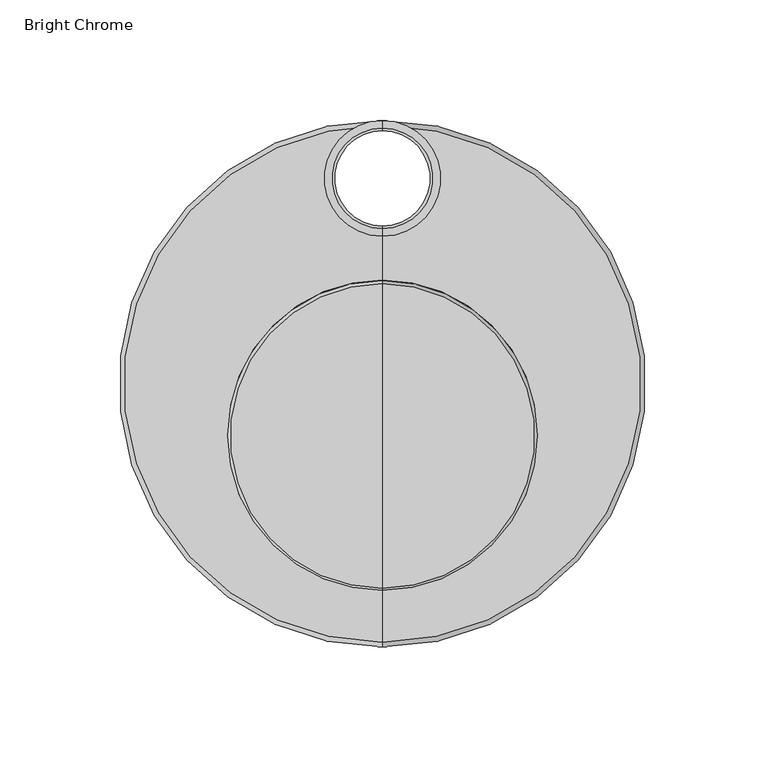
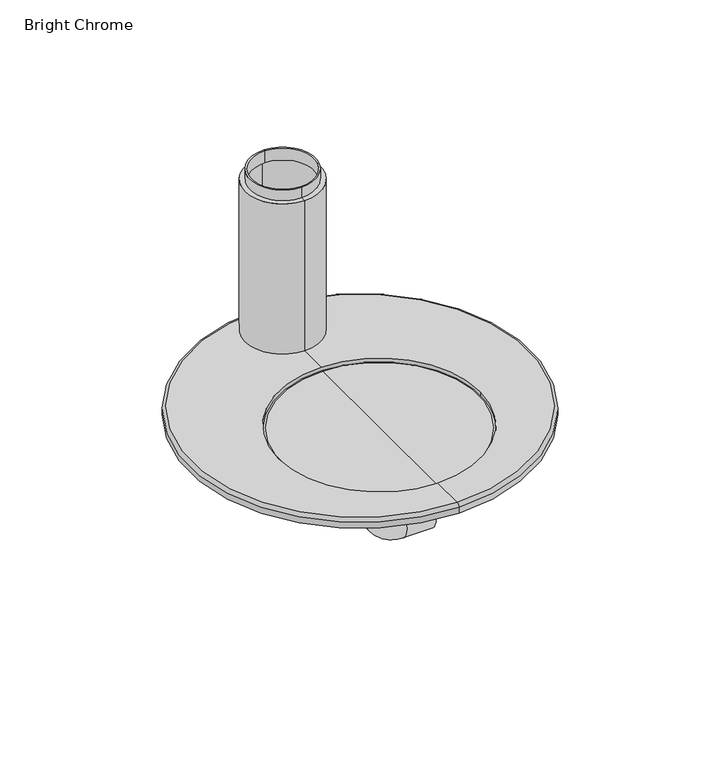
"""IFC4 building model written with IfcOpenShell, lengths in millimetres: flow terminal geometry, Bright Chrome."""

import ifcopenshell
import ifcopenshell.guid

model = None  # the IFC model being written
_history = None  # IfcOwnerHistory: only IFC2X3 demands one
_inside = {}  # id of a spatial element -> (the spatial element, [elements in it])
_under = {}  # id of a project, library or spatial element -> (it, [spatial elements below it])
_declared = {}  # id of a project -> (the project, [libraries it declares])
_typed = {}  # id of a type object -> (the type object, [elements of that type])
_made_of = {}  # id of a material, layer set ... -> (it, [elements and type objects made of it])


def new_model(schema):
    """Start an empty IFC model of exactly this schema.

    Asked for "IFC4X3", IfcOpenShell would pick the latest addendum, in which some entities
    have other attributes; the version numbers below select the first issue.
    IFC2X3 requires an IfcOwnerHistory on every rooted entity: one is made here for all.
    """
    global model, _history
    if schema == "IFC4X3":
        model = ifcopenshell.file(schema_version=(4, 3, 0, 0))
    else:
        model = ifcopenshell.file(schema=schema)
    _inside.clear()
    _under.clear()
    _declared.clear()
    _typed.clear()
    _made_of.clear()
    _history = None
    if model.schema == "IFC2X3":
        org = make("IfcOrganization", Name="unknown")
        user = make(
            "IfcPersonAndOrganization",
            ThePerson=make("IfcPerson", FamilyName="unknown"),
            TheOrganization=org,
        )
        app = make(
            "IfcApplication",
            ApplicationDeveloper=org,
            Version="unknown",
            ApplicationFullName="unknown",
            ApplicationIdentifier="unknown",
        )
        _history = make(
            "IfcOwnerHistory",
            OwningUser=user,
            OwningApplication=app,
            ChangeAction="ADDED",
            CreationDate=0,
        )
    return model


def make(cls, **values):
    """One entity of the class cls with the attributes given. An attribute that is None is left unset."""
    return model.create_entity(
        cls, **{name: value for name, value in values.items() if value is not None}
    )


def rooted(cls, **values):
    """An entity with a GlobalId (a new one), such as an element, a storey or a relation."""
    return make(cls, GlobalId=ifcopenshell.guid.new(), OwnerHistory=_history, **values)


def si_unit(unit_type, name, prefix=None):
    """IfcSIUnit, for example si_unit("LENGTHUNIT", "METRE", prefix="MILLI")."""
    return make("IfcSIUnit", UnitType=unit_type, Prefix=prefix, Name=name)


def assignment(units):
    """IfcUnitAssignment: the units of a project."""
    return None if units is None else make("IfcUnitAssignment", Units=units)


def point(xyz):
    """IfcCartesianPoint."""
    return None if xyz is None else make("IfcCartesianPoint", Coordinates=xyz)


def direction(xyz):
    """IfcDirection."""
    return None if xyz is None else make("IfcDirection", DirectionRatios=xyz)


def frame(location, z_axis=None, x_axis=None):
    """IfcAxis2Placement3D, a coordinate frame: its origin and axes. An axis left out is left unset."""
    return make(
        "IfcAxis2Placement3D",
        Location=point(location),
        Axis=direction(z_axis),
        RefDirection=direction(x_axis),
    )


def origin():
    """The frame at (0, 0, 0) with its axes left unset."""
    return frame((0.0, 0.0, 0.0))


def place(relative_to, where):
    """IfcLocalPlacement: puts the frame where relative to a parent placement (None: the world)."""
    return make(
        "IfcLocalPlacement", PlacementRelTo=relative_to, RelativePlacement=where
    )


def context(
    kind, dimensions, precision=None, world=None, true_north=None, identifier=None
):
    """IfcGeometricRepresentationContext, for example the 3D "Model" context."""
    return make(
        "IfcGeometricRepresentationContext",
        ContextIdentifier=identifier,
        ContextType=kind,
        CoordinateSpaceDimension=dimensions,
        Precision=precision,
        WorldCoordinateSystem=world,
        TrueNorth=true_north,
    )


def project(units=None, contexts=None):
    """IfcProject with its units and contexts."""
    return rooted(
        "IfcProject",
        Name="project",
        RepresentationContexts=contexts,
        UnitsInContext=assignment(units),
    )


def spatial(cls, under=None, at=None, **own):
    """A site, building, storey or space (cls), placed at a placement, below another one or the project."""
    s = rooted(cls, ObjectPlacement=at, **own)
    if under is not None:
        _under.setdefault(under.id(), (under, []))[1].append(s)
    return s


def polyline(points):
    """IfcPolyline through the points."""
    return make("IfcPolyline", Points=[point(p) for p in points])


def circle_curve(where, radius):
    """IfcCircle in the frame where."""
    return make("IfcCircle", Position=where, Radius=radius)


def ellipse_curve(where, semi_axis1, semi_axis2):
    """IfcEllipse in the frame where."""
    return make(
        "IfcEllipse", Position=where, SemiAxis1=semi_axis1, SemiAxis2=semi_axis2
    )


def trimmed(basis, trim1, trim2, sense, master):
    """IfcTrimmedCurve: the piece of a basis curve between two trims."""
    return make(
        "IfcTrimmedCurve",
        BasisCurve=basis,
        Trim1=trim1,
        Trim2=trim2,
        SenseAgreement=sense,
        MasterRepresentation=master,
    )


def outline(outer, holes=None, kind="AREA"):
    """IfcArbitraryClosedProfileDef: a profile drawn as a closed curve; with holes, ...WithVoids."""
    if holes is None:
        return make("IfcArbitraryClosedProfileDef", ProfileType=kind, OuterCurve=outer)
    return make(
        "IfcArbitraryProfileDefWithVoids",
        ProfileType=kind,
        OuterCurve=outer,
        InnerCurves=holes,
    )


def extrude(swept, where, along, depth):
    """IfcExtrudedAreaSolid: the profile swept, set in the frame where, extruded along a direction by depth."""
    return make(
        "IfcExtrudedAreaSolid",
        SweptArea=swept,
        Position=where,
        ExtrudedDirection=direction(along),
        Depth=depth,
    )


def shape(context_of_items, identifier, shape_type, items):
    """IfcShapeRepresentation: the items that make up one representation, for example the "Body"."""
    return make(
        "IfcShapeRepresentation",
        ContextOfItems=context_of_items,
        RepresentationIdentifier=identifier,
        RepresentationType=shape_type,
        Items=items,
    )


def source(mapping_origin, context_of_items, identifier, shape_type, items):
    """IfcRepresentationMap: a shape defined once, which mapped items show again and again."""
    return make(
        "IfcRepresentationMap",
        MappingOrigin=mapping_origin,
        MappedRepresentation=shape(context_of_items, identifier, shape_type, items),
    )


def transform(
    local_origin,
    x_axis=None,
    y_axis=None,
    z_axis=None,
    scale=None,
    scale2=None,
    scale3=None,
    uniform=True,
):
    """IfcCartesianTransformationOperator3D, or its non-uniform kind. x_axis, y_axis, z_axis: its Axis1, 2, 3."""
    if uniform:
        return make(
            "IfcCartesianTransformationOperator3D",
            Axis1=direction(x_axis),
            Axis2=direction(y_axis),
            LocalOrigin=point(local_origin),
            Scale=scale,
            Axis3=direction(z_axis),
        )
    return make(
        "IfcCartesianTransformationOperator3DnonUniform",
        Axis1=direction(x_axis),
        Axis2=direction(y_axis),
        LocalOrigin=point(local_origin),
        Scale=scale,
        Axis3=direction(z_axis),
        Scale2=scale2,
        Scale3=scale3,
    )


def mapped(mapping_source, mapping_target):
    """IfcMappedItem: shows the shape of a source again, moved by a transform."""
    return make(
        "IfcMappedItem", MappingSource=mapping_source, MappingTarget=mapping_target
    )


def made_of(thing, what):
    """Note that an element or type object is made of a material, layer set ...; save() writes the relation."""
    if what is not None:
        _made_of.setdefault(what.id(), (what, []))[1].append(thing)
    return thing


def element(
    cls,
    number,
    at=None,
    inside=None,
    cuts=None,
    type_object=None,
    material=None,
    context=None,
    identifier="Body",
    shape_type=None,
    held_by="IfcProductDefinitionShape",
    body=None,
    shapes=None,
    **own,
):
    """One element of the class cls, such as IfcWall. Its Tag is "e" and its number.

    at: its placement. inside: the storey or other place that contains it. cuts: it is an
    opening in that element (IfcRelVoidsElement). A single representation is given by context,
    identifier, shape_type and body (its items); several are given by shapes. held_by: the class
    of the entity that holds the representations. save() writes the other relations.
    """
    e = rooted(cls, Tag="e%d" % number, ObjectPlacement=at, **own)
    if body is not None:
        shapes = [shape(context, identifier, shape_type, body)]
    if shapes is not None:
        e.Representation = make(held_by, Representations=shapes)
    if inside is not None:
        _inside.setdefault(inside.id(), (inside, []))[1].append(e)
    if cuts is not None:
        rooted(
            "IfcRelVoidsElement", RelatingBuildingElement=cuts, RelatedOpeningElement=e
        )
    if type_object is not None:
        _typed.setdefault(type_object.id(), (type_object, []))[1].append(e)
    return made_of(e, material)


def aggregate(whole, parts):
    """IfcRelAggregates: a whole, such as a stair, and the parts it consists of."""
    return rooted("IfcRelAggregates", RelatingObject=whole, RelatedObjects=parts)


def save(model, path):
    """Write the relations noted so far, then the file.

    IfcRelAggregates (storeys below a building ...), IfcRelContainedInSpatialStructure (elements
    in a storey), IfcRelDefinesByType, IfcRelAssociatesMaterial and IfcRelDeclares: one each for
    every whole, place, type object, material and project.
    """
    for whole, parts in _under.values():
        aggregate(whole, parts)
    for where, things in _inside.values():
        rooted(
            "IfcRelContainedInSpatialStructure",
            RelatedElements=things,
            RelatingStructure=where,
        )
    for kind, things in _typed.values():
        rooted("IfcRelDefinesByType", RelatedObjects=things, RelatingType=kind)
    for what, things in _made_of.values():
        rooted("IfcRelAssociatesMaterial", RelatedObjects=things, RelatingMaterial=what)
    for by, libraries in _declared.values():
        rooted("IfcRelDeclares", RelatingContext=by, RelatedDefinitions=libraries)
    model.write(path)


def plane_surface(at):
    """IfcPlane: the flat surface through the origin of the frame at, square to its z axis."""
    return make("IfcPlane", Position=at)


def cylinder_surface(at, radius):
    """IfcCylindricalSurface: all points at the distance radius from the z axis of the frame at."""
    return make("IfcCylindricalSurface", Position=at, Radius=radius)


def revolved_surface(curve, axis_point, axis_direction):
    """IfcSurfaceOfRevolution: the curve turned about the line through axis_point along axis_direction."""
    return make(
        "IfcSurfaceOfRevolution",
        SweptCurve=make("IfcArbitraryOpenProfileDef", ProfileType="CURVE", Curve=curve),
        AxisPosition=make("IfcAxis1Placement", Location=point(axis_point), Axis=direction(axis_direction)),
    )


def advanced_brep(points, edges, surfaces, faces):
    """IfcAdvancedBrep: a solid bounded by faces that lie on surfaces and meet in shared edges.

    An edge is (start, end): straight between two places in points (the first is 0);
    or (start, end, curve); or (start, end, curve, False) where it runs against its curve.
    A face is (place in surfaces, loops), or (place, loops, False) where it looks against
    its surface's normal. A loop lists edges by number (the first is 1), with a minus sign
    where the edge is run from its end to its start. The first loop is the outer one.
    """
    corners = [point(p) for p in points]
    vertices = [make("IfcVertexPoint", VertexGeometry=c) for c in corners]
    made = []
    for start, end, *more in edges:
        made.append(
            make(
                "IfcEdgeCurve",
                EdgeStart=vertices[start],
                EdgeEnd=vertices[end],
                EdgeGeometry=more[0] if more else make("IfcPolyline", Points=[corners[start], corners[end]]),
                SameSense=more[1] if len(more) > 1 else True,
            )
        )
    hull = []
    for where, loops, *sense in faces:
        bounds = []
        for j, loop in enumerate(loops):
            ring = [make("IfcOrientedEdge", EdgeElement=made[abs(k) - 1], Orientation=k > 0) for k in loop]
            bounds.append(
                make(
                    "IfcFaceOuterBound" if j == 0 else "IfcFaceBound",
                    Bound=make("IfcEdgeLoop", EdgeList=ring),
                    Orientation=True,
                )
            )
        hull.append(make("IfcAdvancedFace", Bounds=bounds, FaceSurface=surfaces[where], SameSense=sense[0] if sense else True))
    return make("IfcAdvancedBrep", Outer=make("IfcClosedShell", CfsFaces=hull))


def bright_chrome_13082571(model_context):
    return source(origin(), model_context, "Body", "SolidModel", [
        advanced_brep(
        [(1.0, 124.2704722, 5.9754703), (1.0, 76.2295278, 5.9754703), (1.0, 76.2295278, 107.0), (1.0, 124.2704722, 107.0), (1.0, 79.4077987, 107.0), (1.0, 121.0922013, 107.0), (1.0, 79.4077987, 114.0), (1.0, 121.0922013, 114.0), (1.0, 80.4077987, 114.0), (1.0, 120.0922013, 114.0), (1.0, 80.4077987, 106.0), (1.0, 120.0922013, 106.0), (1.0, 77.2295278, 106.0), (1.0, 123.2704722, 106.0), (1.0, 77.2295278, 5.9754703), (1.0, 123.2704722, 5.9754703)],
        [
            (0, 1, circle_curve(frame((1.0, 100.25, 5.9754703), z_axis=(0.0, 0.0, 1.0), x_axis=(0.0, -1.0, 0.0)), 24.0204722)),
            (1, 2),
            (2, 3, circle_curve(frame((1.0, 100.25, 107.0), z_axis=(0.0, 0.0, -1.0), x_axis=(0.0, -1.0, 0.0)), 24.0204722)),
            (3, 0),
            (1, 0, circle_curve(frame((1.0, 100.25, 5.9754703), z_axis=(0.0, 0.0, 1.0), x_axis=(0.0, -1.0, 0.0)), 24.0204722)),
            (3, 2, circle_curve(frame((1.0, 100.25, 107.0), z_axis=(0.0, 0.0, -1.0), x_axis=(0.0, -1.0, 0.0)), 24.0204722)),
            (2, 4),
            (4, 5, circle_curve(frame((1.0, 100.25, 107.0), z_axis=(0.0, 0.0, -1.0), x_axis=(0.0, -1.0, 0.0)), 20.8422013)),
            (5, 3),
            (5, 4, circle_curve(frame((1.0, 100.25, 107.0), z_axis=(0.0, 0.0, -1.0), x_axis=(0.0, -1.0, 0.0)), 20.8422013)),
            (4, 6),
            (6, 7, circle_curve(frame((1.0, 100.25, 114.0), z_axis=(0.0, 0.0, -1.0), x_axis=(0.0, -1.0, 0.0)), 20.8422013)),
            (7, 5),
            (7, 6, circle_curve(frame((1.0, 100.25, 114.0), z_axis=(0.0, 0.0, -1.0), x_axis=(0.0, -1.0, 0.0)), 20.8422013)),
            (6, 8),
            (8, 9, circle_curve(frame((1.0, 100.25, 114.0), z_axis=(0.0, 0.0, -1.0), x_axis=(0.0, -1.0, 0.0)), 19.8422013)),
            (9, 7),
            (9, 8, circle_curve(frame((1.0, 100.25, 114.0), z_axis=(0.0, 0.0, -1.0), x_axis=(0.0, -1.0, 0.0)), 19.8422013)),
            (8, 10),
            (10, 11, circle_curve(frame((1.0, 100.25, 106.0), z_axis=(0.0, 0.0, -1.0), x_axis=(0.0, -1.0, 0.0)), 19.8422013)),
            (11, 9),
            (11, 10, circle_curve(frame((1.0, 100.25, 106.0), z_axis=(0.0, 0.0, -1.0), x_axis=(0.0, -1.0, 0.0)), 19.8422013)),
            (10, 12),
            (12, 13, circle_curve(frame((1.0, 100.25, 106.0), z_axis=(0.0, 0.0, -1.0), x_axis=(0.0, -1.0, 0.0)), 23.0204722)),
            (13, 11),
            (13, 12, circle_curve(frame((1.0, 100.25, 106.0), z_axis=(0.0, 0.0, -1.0), x_axis=(0.0, -1.0, 0.0)), 23.0204722)),
            (12, 14),
            (14, 15, circle_curve(frame((1.0, 100.25, 5.9754703), z_axis=(0.0, 0.0, -1.0), x_axis=(0.0, -1.0, 0.0)), 23.0204722)),
            (15, 13),
            (15, 14, circle_curve(frame((1.0, 100.25, 5.9754703), z_axis=(0.0, 0.0, -1.0), x_axis=(0.0, -1.0, 0.0)), 23.0204722)),
            (14, 1),
            (0, 15),
        ],
        [
            cylinder_surface(frame((1.0, 100.25, 0.1735284), z_axis=(0.0, 0.0, -1.0), x_axis=(0.0, -1.0, 0.0)), 24.0204722),
            plane_surface(frame((1.0, 100.25, 107.0), z_axis=(0.0, 0.0, 1.0), x_axis=(0.0, -1.0, 0.0))),
            cylinder_surface(frame((1.0, 100.25, 0.1735284), z_axis=(0.0, 0.0, -1.0), x_axis=(0.0, -1.0, 0.0)), 20.8422013),
            plane_surface(frame((1.0, 100.25, 114.0), z_axis=(0.0, 0.0, 1.0), x_axis=(0.0, -1.0, 0.0))),
            revolved_surface(polyline([(1.0, 80.4077987, 106.0), (1.0, 80.4077987, 114.0)]), (1.0, 100.25, 0.1735284), (0.0, 0.0, -1.0)),
            plane_surface(frame((1.0, 100.25, 106.0), z_axis=(0.0, 0.0, -1.0), x_axis=(0.0, -1.0, 0.0))),
            revolved_surface(polyline([(1.0, 77.2295278, 5.9754703), (1.0, 77.2295278, 106.0)]), (1.0, 100.25, 0.1735284), (0.0, 0.0, -1.0)),
            plane_surface(frame((1.0, 100.25, 5.9754703), z_axis=(0.0, 0.0, -1.0), x_axis=(0.0, -1.0, 0.0))),
        ],
        [
            (0, [[1, 2, 3, 4]]),
            (0, [[5, -4, 6, -2]]),
            (1, [[-3, 7, 8, 9]]),
            (1, [[-6, -9, 10, -7]]),
            (2, [[-8, 11, 12, 13]]),
            (2, [[-10, -13, 14, -11]]),
            (3, [[-12, 15, 16, 17]]),
            (3, [[-14, -17, 18, -15]]),
            (4, [[-16, 19, 20, 21]]),
            (4, [[-18, -21, 22, -19]]),
            (5, [[-20, 23, 24, 25]]),
            (5, [[-22, -25, 26, -23]]),
            (6, [[-24, 27, 28, 29]]),
            (6, [[-26, -29, 30, -27]]),
            (7, [[-28, 31, -1, 32]]),
            (7, [[-30, -32, -5, -31]]),
        ],
    ),
        advanced_brep(
        [(1.0, 122.25, 5.9736354), (1.0, -92.25, 5.9736354), (1.0, -70.83804, 5.9736354), (-63.47, -6.36804, 5.9736354), (1.0, 58.10196, 5.9736354), (1.0, 78.25, 5.9736354), (-21.0, 100.25, 5.9736354), (23.0, 100.25, 5.9736354), (65.47, -6.36804, 5.9736354), (1.0, 124.25, 3.9736354), (1.0, -94.25, 3.9736354), (1.0, 124.25, 0.0), (1.0, -94.25, 0.0), (1.0, 122.25, 0.0), (-21.0, 100.25, 0.0), (1.0, 78.25, 0.0), (1.0, 15.0, 0.0), (23.0, 100.25, 0.0), (65.47, -6.36804, 1.5304145), (-63.47, -6.36804, 1.5304145)],
        [
            (0, 1, circle_curve(frame((1.0, 15.0, 5.9736354), z_axis=(0.0, 0.0, 1.0), x_axis=(0.0, 1.0, 0.0)), 107.25)),
            (1, 2),
            (2, 3, circle_curve(frame((1.0, -6.36804, 5.9736354), z_axis=(0.0, 0.0, -1.0), x_axis=(-1.0, 0.0, 0.0)), 64.47)),
            (3, 4, circle_curve(frame((1.0, -6.36804, 5.9736354), z_axis=(0.0, 0.0, -1.0), x_axis=(-1.0, 0.0, 0.0)), 64.47)),
            (4, 5),
            (5, 6, circle_curve(frame((1.0, 100.25, 5.9736354), z_axis=(0.0, 0.0, -1.0), x_axis=(-1.0, 0.0, 0.0)), 22.0)),
            (6, 0, circle_curve(frame((1.0, 100.25, 5.9736354), z_axis=(0.0, 0.0, -1.0), x_axis=(-1.0, 0.0, 0.0)), 22.0)),
            (1, 0, circle_curve(frame((1.0, 15.0, 5.9736354), z_axis=(0.0, 0.0, 1.0), x_axis=(0.0, 1.0, 0.0)), 107.25)),
            (0, 7, circle_curve(frame((1.0, 100.25, 5.9736354), z_axis=(0.0, 0.0, -1.0), x_axis=(-1.0, 0.0, 0.0)), 22.0)),
            (7, 5, circle_curve(frame((1.0, 100.25, 5.9736354), z_axis=(0.0, 0.0, -1.0), x_axis=(-1.0, 0.0, 0.0)), 22.0)),
            (4, 8, circle_curve(frame((1.0, -6.36804, 5.9736354), z_axis=(0.0, 0.0, -1.0), x_axis=(-1.0, 0.0, 0.0)), 64.47)),
            (8, 2, circle_curve(frame((1.0, -6.36804, 5.9736354), z_axis=(0.0, 0.0, -1.0), x_axis=(-1.0, 0.0, 0.0)), 64.47)),
            (0, 9, circle_curve(frame((1.0, 122.25, 3.9736354), z_axis=(-1.0, 0.0, 0.0), x_axis=(0.0, 1.0, 0.0)), 2.0)),
            (9, 10, circle_curve(frame((1.0, 15.0, 3.9736354), z_axis=(0.0, 0.0, 1.0), x_axis=(0.0, 1.0, 0.0)), 109.25)),
            (10, 1, circle_curve(frame((1.0, -92.25, 3.9736354), z_axis=(-1.0, 0.0, 0.0), x_axis=(0.0, -1.0, 0.0)), 2.0)),
            (10, 9, circle_curve(frame((1.0, 15.0, 3.9736354), z_axis=(0.0, 0.0, 1.0), x_axis=(0.0, 1.0, 0.0)), 109.25)),
            (9, 11),
            (11, 12, circle_curve(frame((1.0, 15.0, 0.0), z_axis=(0.0, 0.0, 1.0), x_axis=(0.0, 1.0, 0.0)), 109.25)),
            (12, 10),
            (12, 11, circle_curve(frame((1.0, 15.0, 0.0), z_axis=(0.0, 0.0, 1.0), x_axis=(0.0, 1.0, 0.0)), 109.25)),
            (11, 13),
            (13, 14, circle_curve(frame((1.0, 100.25, 0.0), z_axis=(0.0, 0.0, 1.0), x_axis=(-1.0, 0.0, 0.0)), 22.0)),
            (14, 15, circle_curve(frame((1.0, 100.25, 0.0), z_axis=(0.0, 0.0, 1.0), x_axis=(-1.0, 0.0, 0.0)), 22.0)),
            (15, 16),
            (16, 12),
            (15, 17, circle_curve(frame((1.0, 100.25, 0.0), z_axis=(0.0, 0.0, 1.0), x_axis=(-1.0, 0.0, 0.0)), 22.0)),
            (17, 13, circle_curve(frame((1.0, 100.25, 0.0), z_axis=(0.0, 0.0, 1.0), x_axis=(-1.0, 0.0, 0.0)), 22.0)),
            (18, 19, circle_curve(frame((1.0, -6.36804, 1.5304145), z_axis=(0.0, 0.0, 1.0), x_axis=(-1.0, 0.0, 0.0)), 64.47)),
            (19, 18, circle_curve(frame((1.0, -6.36804, 1.5304145), z_axis=(0.0, 0.0, 1.0), x_axis=(-1.0, 0.0, 0.0)), 64.47)),
            (18, 8),
            (3, 19),
            (17, 7),
            (6, 14),
        ],
        [
            plane_surface(frame((1.0, 15.0, 5.9736354), z_axis=(0.0, 0.0, 1.0), x_axis=(0.0, 1.0, 0.0))),
            revolved_surface(trimmed(ellipse_curve(frame((1.0, 122.25, 3.9736354), z_axis=(1.0, 0.0, 0.0), x_axis=(0.0, 1.0, 0.0)), 2.0, 2.0), [point((1.0, 124.25, 3.9736354))], [point((1.0, 122.25, 5.9736354))], True, "CARTESIAN"), (1.0, 15.0, -1.0187212), (0.0, 0.0, 1.0)),
            cylinder_surface(frame((1.0, 15.0, -1.0187212), z_axis=(0.0, 0.0, 1.0), x_axis=(0.0, 1.0, 0.0)), 109.25),
            plane_surface(frame((1.0, 15.0, 0.0), z_axis=(0.0, 0.0, -1.0), x_axis=(0.0, 1.0, 0.0))),
            plane_surface(frame((-63.47, -6.36804, 1.5304145), z_axis=(0.0, 0.0, 1.0), x_axis=(0.0, 1.0, 0.0))),
            revolved_surface(polyline([(-63.47, -6.36804, 5.9736354), (-63.47, -6.36804, 1.5304145)]), (1.0, -6.36804, 1.5304145), (0.0, 0.0, 1.0)),
            revolved_surface(polyline([(-21.0, 100.25, 5.9736354), (-21.0, 100.25, 0.0)]), (1.0, 100.25, -1.8109582), (0.0, 0.0, 1.0)),
        ],
        [
            (0, [[1, 2, 3, 4, 5, 6, 7]]),
            (0, [[8, 9, 10, -5, 11, 12, -2]]),
            (1, [[-1, 13, 14, 15]]),
            (1, [[-8, -15, 16, -13]]),
            (2, [[-14, 17, 18, 19]]),
            (2, [[-16, -19, 20, -17]]),
            (3, [[-18, 21, 22, 23, 24, 25]]),
            (3, [[-20, -25, -24, 26, 27, -21]]),
            (4, [[28, 29]]),
            (5, [[-28, 30, -11, -4, 31]]),
            (5, [[-29, -31, -3, -12, -30]]),
            (6, [[32, -9, -7, 33, -22, -27]]),
            (6, [[-32, -26, -23, -33, -6, -10]]),
        ],
    ),
        advanced_brep(
        [(1.0, -69.9244631, 4.249674), (1.0, 56.520588, 4.249674), (1.0, 56.520588, 1.749674), (1.0, -69.9244631, 1.749674), (1.0, -6.7019376, 1.749674), (1.0, -6.7019376, 4.249674)],
        [
            (0, 1, circle_curve(frame((1.0, -6.7019376, 4.249674), z_axis=(0.0, 0.0, -1.0), x_axis=(0.0, 1.0, 0.0)), 63.2225255)),
            (1, 2, circle_curve(frame((1.0, 56.520588, 2.999674), z_axis=(-1.0, 0.0, 0.0), x_axis=(0.0, 1.0, 0.0)), 1.25)),
            (2, 3, circle_curve(frame((1.0, -6.7019376, 1.749674), z_axis=(0.0, 0.0, 1.0), x_axis=(0.0, 1.0, 0.0)), 63.2225255)),
            (3, 0, circle_curve(frame((1.0, -69.9244631, 2.999674), z_axis=(-1.0, 0.0, 0.0), x_axis=(0.0, -1.0, 0.0)), 1.25)),
            (1, 0, circle_curve(frame((1.0, -6.7019376, 4.249674), z_axis=(0.0, 0.0, -1.0), x_axis=(0.0, 1.0, 0.0)), 63.2225255)),
            (3, 2, circle_curve(frame((1.0, -6.7019376, 1.749674), z_axis=(0.0, 0.0, 1.0), x_axis=(0.0, 1.0, 0.0)), 63.2225255)),
            (2, 4),
            (4, 3),
            (5, 1),
            (0, 5),
        ],
        [
            revolved_surface(trimmed(ellipse_curve(frame((1.0, 56.520588, 2.999674), z_axis=(1.0, 0.0, 0.0), x_axis=(0.0, 1.0, 0.0)), 1.25, 1.25), [point((1.0, 56.520588, 1.749674))], [point((1.0, 56.520588, 4.249674))], True, "CARTESIAN"), (1.0, -6.7019376, 0.0), (0.0, 0.0, 1.0)),
            plane_surface(frame((1.0, -6.7019376, 1.749674), z_axis=(0.0, 0.0, -1.0), x_axis=(0.0, 1.0, 0.0))),
            plane_surface(frame((1.0, -6.7019376, 4.249674), z_axis=(0.0, 0.0, 1.0), x_axis=(0.0, 1.0, 0.0))),
        ],
        [
            (0, [[1, 2, 3, 4]]),
            (0, [[5, -4, 6, -2]]),
            (1, [[-3, 7, 8]]),
            (1, [[-6, -8, -7]]),
            (2, [[9, -1, 10]]),
            (2, [[-10, -5, -9]]),
        ],
    ),
        advanced_brep(
        [(1.0, 17.6082756, -9.3040084), (1.0, -27.6082756, -9.3040084), (1.0, -56.6303223, 0.0), (1.0, 46.6303223, 0.0), (1.0, 16.5094946, -10.3549967), (1.0, -26.5094946, -10.3549967), (1.0, 16.3191004, -11.4347761), (1.0, -26.3191004, -11.4347761), (1.0, 15.3746862, -12.2272337), (1.0, -25.3746862, -12.2272337), (1.0, -5.0, -12.2272337), (1.0, -5.0, 0.0)],
        [
            (0, 1, circle_curve(frame((1.0, -5.0, -9.3040084), z_axis=(0.0, 0.0, 1.0), x_axis=(0.0, -1.0, 0.0)), 22.6082756)),
            (1, 2, circle_curve(frame((1.0, -16.5771103, 75.0218914), z_axis=(-1.0, 0.0, 0.0), x_axis=(0.0, 1.0, 0.0)), 85.0443648)),
            (2, 3, circle_curve(frame((1.0, -5.0, 0.0), z_axis=(0.0, 0.0, -1.0), x_axis=(0.0, -1.0, 0.0)), 51.6303223)),
            (3, 0, circle_curve(frame((1.0, 6.5771103, 75.0218914), z_axis=(-1.0, 0.0, 0.0), x_axis=(0.0, -1.0, 0.0)), 85.0443648)),
            (1, 0, circle_curve(frame((1.0, -5.0, -9.3040084), z_axis=(0.0, 0.0, 1.0), x_axis=(0.0, -1.0, 0.0)), 22.6082756)),
            (3, 2, circle_curve(frame((1.0, -5.0, 0.0), z_axis=(0.0, 0.0, -1.0), x_axis=(0.0, -1.0, 0.0)), 51.6303223)),
            (4, 5, circle_curve(frame((1.0, -5.0, -10.3549967), z_axis=(0.0, 0.0, 1.0), x_axis=(0.0, -1.0, 0.0)), 21.5094946)),
            (5, 1, circle_curve(frame((1.0, -27.774951, -10.5781308), z_axis=(1.0, 0.0, 0.0), x_axis=(0.0, 1.0, 0.0)), 1.2849781)),
            (0, 4, circle_curve(frame((1.0, 17.774951, -10.5781308), z_axis=(1.0, 0.0, 0.0), x_axis=(0.0, -1.0, 0.0)), 1.2849781)),
            (5, 4, circle_curve(frame((1.0, -5.0, -10.3549967), z_axis=(0.0, 0.0, 1.0), x_axis=(0.0, -1.0, 0.0)), 21.5094946)),
            (6, 7, circle_curve(frame((1.0, -5.0, -11.4347761), z_axis=(0.0, 0.0, 1.0), x_axis=(0.0, -1.0, 0.0)), 21.3191004)),
            (7, 5),
            (4, 6),
            (7, 6, circle_curve(frame((1.0, -5.0, -11.4347761), z_axis=(0.0, 0.0, 1.0), x_axis=(0.0, -1.0, 0.0)), 21.3191004)),
            (8, 9, circle_curve(frame((1.0, -5.0, -12.2272337), z_axis=(0.0, 0.0, 1.0), x_axis=(0.0, -1.0, 0.0)), 20.3746862)),
            (9, 7, circle_curve(frame((1.0, -25.3746862, -11.2682504), z_axis=(-1.0, 0.0, 0.0), x_axis=(0.0, 1.0, 0.0)), 0.9589833)),
            (6, 8, circle_curve(frame((1.0, 15.3746862, -11.2682504), z_axis=(-1.0, 0.0, 0.0), x_axis=(0.0, -1.0, 0.0)), 0.9589833)),
            (9, 8, circle_curve(frame((1.0, -5.0, -12.2272337), z_axis=(0.0, 0.0, 1.0), x_axis=(0.0, -1.0, 0.0)), 20.3746862)),
            (10, 9),
            (8, 10),
            (2, 11),
            (11, 3),
        ],
        [
            revolved_surface(trimmed(ellipse_curve(frame((1.0, -16.5771103, 75.0218914), z_axis=(1.0, 0.0, 0.0), x_axis=(0.0, 1.0, 0.0)), 85.0443648, 85.0443648), [point((1.0, -56.6303223, 0.0))], [point((1.0, -27.6082756, -9.3040084))], True, "CARTESIAN"), (1.0, -5.0, 0.0), (0.0, 0.0, -1.0)),
            revolved_surface(trimmed(ellipse_curve(frame((1.0, -27.774951, -10.5781308), z_axis=(-1.0, 0.0, 0.0), x_axis=(0.0, 1.0, 0.0)), 1.2849781, 1.2849781), [point((1.0, -27.6082756, -9.3040084))], [point((1.0, -26.5094946, -10.3549967))], True, "CARTESIAN"), (1.0, -5.0, 0.0), (0.0, 0.0, -1.0)),
            revolved_surface(polyline([(1.0, -26.5094946, -10.3549967), (1.0, -26.3191004, -11.4347761)]), (1.0, -5.0, 0.0), (0.0, 0.0, -1.0)),
            revolved_surface(trimmed(ellipse_curve(frame((1.0, -25.3746862, -11.2682504), z_axis=(1.0, 0.0, 0.0), x_axis=(0.0, 1.0, 0.0)), 0.9589833, 0.9589833), [point((1.0, -26.3191004, -11.4347761))], [point((1.0, -25.3746862, -12.2272337))], True, "CARTESIAN"), (1.0, -5.0, 0.0), (0.0, 0.0, -1.0)),
            plane_surface(frame((1.0, -5.0, -12.2272337), z_axis=(0.0, 0.0, -1.0), x_axis=(0.0, -1.0, 0.0))),
            plane_surface(frame((1.0, -5.0, 0.0), z_axis=(0.0, 0.0, 1.0), x_axis=(0.0, -1.0, 0.0))),
        ],
        [
            (0, [[1, 2, 3, 4]]),
            (0, [[5, -4, 6, -2]]),
            (1, [[7, 8, -1, 9]]),
            (1, [[10, -9, -5, -8]]),
            (2, [[11, 12, -7, 13]]),
            (2, [[14, -13, -10, -12]]),
            (3, [[15, 16, -11, 17]]),
            (3, [[18, -17, -14, -16]]),
            (4, [[19, -15, 20]]),
            (4, [[-20, -18, -19]]),
            (5, [[-3, 21, 22]]),
            (5, [[-6, -22, -21]]),
        ],
    ),
        extrude(outline(polyline([(-8.0700199, 10.0093191), (9.9254696, 10.0093191), (19.0513346, -5.5057892), (9.9254696, -21.0208976), (-8.0700199, -21.0208976), (-17.1958849, -5.5057892), (-8.0700199, 10.0093191)])), frame((0.0, 0.0, -21.18049), z_axis=(0.0, 0.0, 1.0), x_axis=(1.0, 0.0, 0.0)), (0.0, 0.0, 1.0), 9.0),
        advanced_brep(
        [(31.1519186, -5.8906809, -72.6140161), (31.1519186, -5.8906809, -51.1140161), (12.9277249, -5.8906809, -72.6140161), (12.9277249, -5.8906809, -51.1140161), (11.6777249, -5.8906809, -49.8640161), (-9.8222751, -5.8906809, -49.8640161), (-9.8222751, -5.8906809, -21.18049), (11.6777249, -5.8906809, -21.18049)],
        [
            (0, 1, circle_curve(frame((31.1519186, -5.8906809, -61.8640161), z_axis=(1.0, 0.0, 0.0), x_axis=(0.0, 0.0, 1.0)), 10.75)),
            (1, 0, circle_curve(frame((31.1519186, -5.8906809, -61.8640161), z_axis=(1.0, 0.0, 0.0), x_axis=(0.0, 0.0, 1.0)), 10.75)),
            (0, 2),
            (2, 3, circle_curve(frame((12.9277249, -5.8906809, -61.8640161), z_axis=(1.0, 0.0, 0.0), x_axis=(0.0, 0.0, 1.0)), 10.75)),
            (3, 1),
            (3, 2, circle_curve(frame((12.9277249, -5.8906809, -61.8640161), z_axis=(1.0, 0.0, 0.0), x_axis=(0.0, 0.0, 1.0)), 10.75)),
            (4, 3, circle_curve(frame((12.9277249, -5.8906809, -49.8640161), z_axis=(0.0, -1.0, 0.0), x_axis=(0.0, 0.0, -1.0)), 1.25)),
            (2, 5, circle_curve(frame((12.9277249, -5.8906809, -49.8640161), z_axis=(0.0, 1.0, 0.0), x_axis=(0.0, 0.0, -1.0)), 22.75)),
            (5, 4, circle_curve(frame((0.9277249, -5.8906809, -49.8640161), z_axis=(0.0, 0.0, -1.0), x_axis=(1.0, 0.0, 0.0)), 10.75)),
            (4, 5, circle_curve(frame((0.9277249, -5.8906809, -49.8640161), z_axis=(0.0, 0.0, -1.0), x_axis=(1.0, 0.0, 0.0)), 10.75)),
            (6, 7, circle_curve(frame((0.9277249, -5.8906809, -21.18049), z_axis=(0.0, 0.0, 1.0), x_axis=(1.0, 0.0, 0.0)), 10.75)),
            (7, 6, circle_curve(frame((0.9277249, -5.8906809, -21.18049), z_axis=(0.0, 0.0, 1.0), x_axis=(1.0, 0.0, 0.0)), 10.75)),
            (5, 6),
            (7, 4),
        ],
        [
            plane_surface(frame((31.1519186, 15.0, -61.8640161), z_axis=(1.0, 0.0, 0.0), x_axis=(0.0, 1.0, 0.0))),
            cylinder_surface(frame((31.1519186, -5.8906809, -61.8640161), z_axis=(1.0, 0.0, 0.0), x_axis=(0.0, 0.0, 1.0)), 10.75),
            revolved_surface(trimmed(ellipse_curve(frame((12.9277249, -5.8906809, -61.8640161), z_axis=(1.0, 0.0, 0.0), x_axis=(0.0, 0.0, 1.0)), 10.75, 10.75), [point((12.9277249, -5.8906809, -72.6140161))], [point((12.9277249, -5.8906809, -51.1140161))], True, "CARTESIAN"), (12.9277249, 15.0, -49.8640161), (0.0, 1.0, 0.0)),
            revolved_surface(trimmed(ellipse_curve(frame((12.9277249, -5.8906809, -61.8640161), z_axis=(1.0, 0.0, 0.0), x_axis=(0.0, 0.0, 1.0)), 10.75, 10.75), [point((12.9277249, -5.8906809, -51.1140161))], [point((12.9277249, -5.8906809, -72.6140161))], True, "CARTESIAN"), (12.9277249, 15.0, -49.8640161), (0.0, 1.0, 0.0)),
            plane_surface(frame((0.9277249, 15.0, -21.18049), z_axis=(0.0, 0.0, 1.0), x_axis=(0.0, 1.0, 0.0))),
            cylinder_surface(frame((0.9277249, -5.8906809, -49.8640161), z_axis=(0.0, 0.0, -1.0), x_axis=(1.0, 0.0, 0.0)), 10.75),
        ],
        [
            (0, [[1, 2]]),
            (1, [[-1, 3, 4, 5]]),
            (1, [[-2, -5, 6, -3]]),
            (2, [[7, -4, 8, 9]]),
            (3, [[-8, -6, -7, 10]]),
            (4, [[11, 12]]),
            (5, [[-9, 13, -12, 14]]),
            (5, [[-10, -14, -11, -13]]),
        ],
    ),
    ])


if __name__ == "__main__":
    model = new_model("IFC4")
    model_context = context("Model", 3, world=origin())
    ifc_project = project(units=[si_unit("LENGTHUNIT", "METRE", prefix="MILLI")], contexts=[model_context])
    site = spatial("IfcSite", under=ifc_project)
    building = spatial("IfcBuilding", under=site)
    placement = place(None, origin())
    bright_chrome_shape = bright_chrome_13082571(model_context)
    element("IfcFlowTerminal", 1, ObjectType="Bright Chrome", at=placement, inside=building, context=model_context, shape_type="MappedRepresentation", body=[
        mapped(bright_chrome_shape, transform((0.0, 0.0, 0.0), x_axis=(1.0, 0.0, 0.0), y_axis=(0.0, 1.0, 0.0), z_axis=(0.0, 0.0, 1.0))),
    ])
    save(model, "model.ifc")
